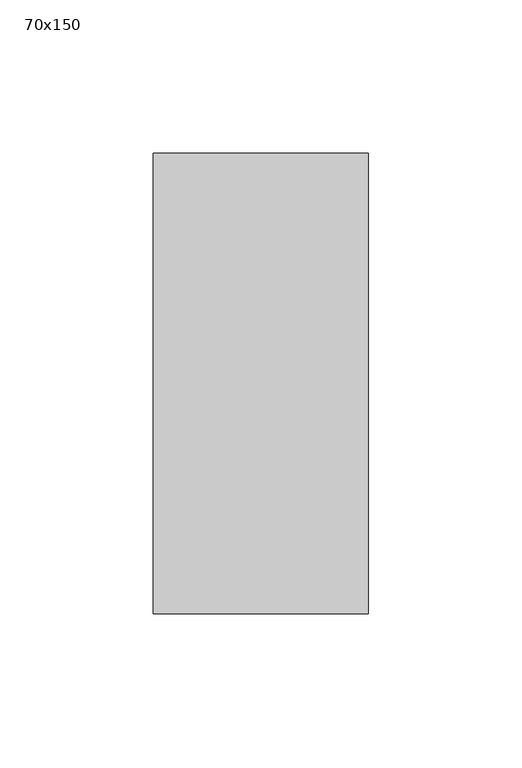
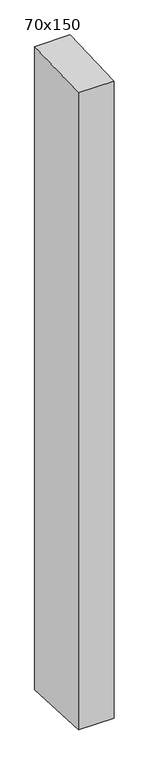
"""IFC4 building model written with IfcOpenShell, lengths in millimetres: member geometry, 70x150."""

from ifc_helpers import new_model, si_unit, frame, origin, place, context, project, spatial, polyline, outline, extrude, source, transform, mapped, element, save


def member_70x150_c98197e5(model_context):
    return source(origin(), model_context, "Body", "SweptSolid", [
        extrude(outline(polyline([(-75.0, -2.8821383), (75.0, 2.8821383), (75.0, -1341.4385865), (-75.0, -1334.4178835), (-75.0, -2.8821383)])), frame((-35.0, 0.0, 0.0), z_axis=(1.0, 0.0, 0.0), x_axis=(0.0, 1.0, 0.0)), (0.0, 0.0, 1.0), 70.0),
    ])


if __name__ == "__main__":
    model = new_model("IFC4")
    model_context = context("Model", 3, world=origin())
    ifc_project = project(units=[si_unit("LENGTHUNIT", "METRE", prefix="MILLI")], contexts=[model_context])
    site = spatial("IfcSite", under=ifc_project)
    building = spatial("IfcBuilding", under=site)
    placement = place(None, origin())
    member_70x150_shape = member_70x150_c98197e5(model_context)
    element("IfcMember", 1, ObjectType="70x150", at=placement, inside=building, context=model_context, shape_type="MappedRepresentation", body=[
        mapped(member_70x150_shape, transform((0.0, 0.0, 0.0), x_axis=(1.0, 0.0, 0.0), y_axis=(0.0, 1.0, 0.0), z_axis=(0.0, 0.0, 1.0))),
    ])
    save(model, "model.ifc")
